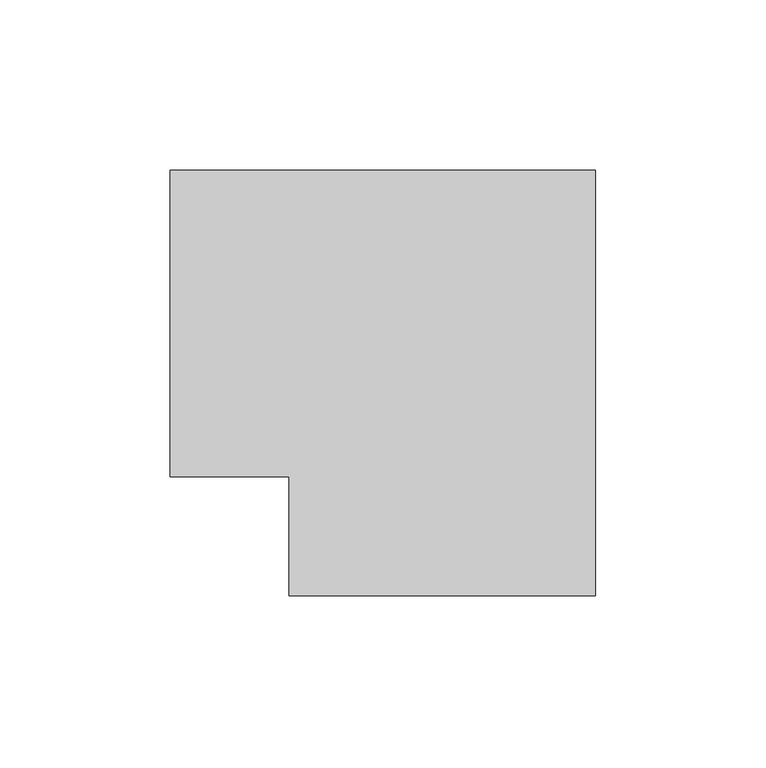
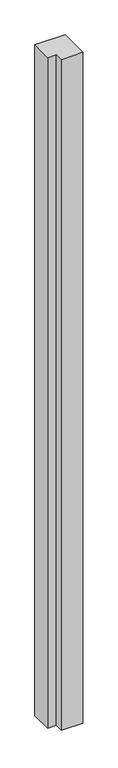
"""IFC4 building model written with IfcOpenShell, lengths in millimetres: member geometry."""

from ifc_helpers import new_model, si_unit, frame, origin, place, context, project, spatial, polyline, outline, extrude, source, transform, mapped, element, save


def member_880ae09b(model_context):
    return source(origin(), model_context, "Body", "SweptSolid", [
        extrude(outline(polyline([(-45.0, -80.0), (-45.0, -45.0), (-80.0, -45.0), (-80.0, 45.0), (45.0, 45.0), (45.0, -80.0), (-45.0, -80.0)])), frame((0.0, 0.0, -2910.0), z_axis=(0.0, 0.0, 1.0), x_axis=(1.0, 0.0, 0.0)), (0.0, 0.0, 1.0), 2910.0),
    ])


if __name__ == "__main__":
    model = new_model("IFC4")
    model_context = context("Model", 3, world=origin())
    ifc_project = project(units=[si_unit("LENGTHUNIT", "METRE", prefix="MILLI")], contexts=[model_context])
    site = spatial("IfcSite", under=ifc_project)
    building = spatial("IfcBuilding", under=site)
    placement = place(None, origin())
    member_shape = member_880ae09b(model_context)
    element("IfcMember", 1, at=placement, inside=building, context=model_context, shape_type="MappedRepresentation", body=[
        mapped(member_shape, transform((0.0, 0.0, 0.0), x_axis=(1.0, 0.0, 0.0), y_axis=(0.0, 1.0, 0.0), z_axis=(0.0, 0.0, 1.0))),
    ])
    save(model, "model.ifc")
